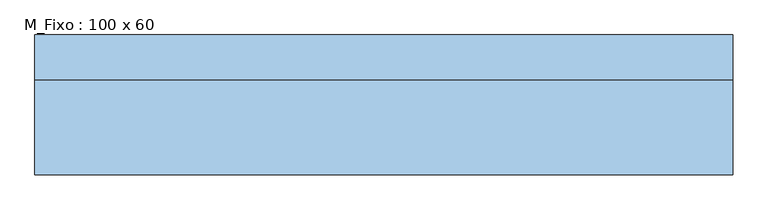
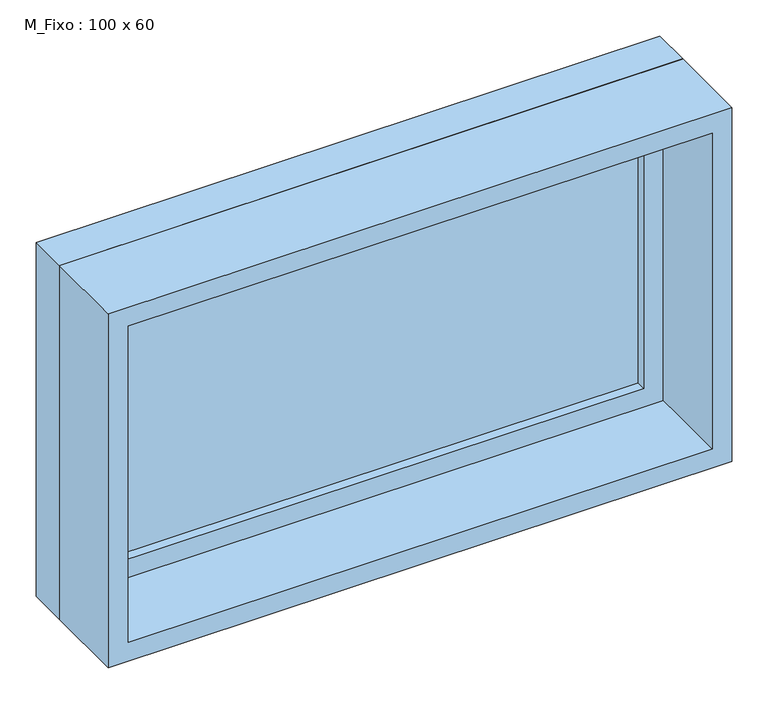
"""IFC4 building model written with IfcOpenShell, lengths in millimetres: window geometry, M_Fixo : 100 x 60."""

from ifc_helpers import new_model, si_unit, frame, origin, place, context, project, spatial, polyline, outline, extrude, source, transform, mapped, element, save


def m_fixo_100_x_60_95d4c234(model_context):
    return source(origin(), model_context, "Body", "SweptSolid", [
        extrude(outline(polyline([(-437.0, 77.0), (437.0, 77.0), (437.0, 65.0), (-437.0, 65.0), (-437.0, 77.0)])), frame((0.0, 0.0, 963.0), z_axis=(0.0, 0.0, 1.0), x_axis=(1.0, 0.0, 0.0)), (0.0, 0.0, 1.0), 474.0),
        extrude(outline(polyline([(1481.0, -481.0), (919.0, -481.0), (919.0, 481.0), (1481.0, 481.0), (1481.0, -481.0)]), holes=[polyline([(1437.0, -437.0), (1437.0, 437.0), (963.0, 437.0), (963.0, -437.0), (1437.0, -437.0)])]), frame((0.0, 49.0, 0.0), z_axis=(0.0, 1.0, 0.0), x_axis=(0.0, 0.0, 1.0)), (0.0, 0.0, 1.0), 44.0),
        extrude(outline(polyline([(1500.0, -500.0), (900.0, -500.0), (900.0, 500.0), (1500.0, 500.0), (1500.0, -500.0)]), holes=[polyline([(1481.0, -481.0), (1481.0, 481.0), (919.0, 481.0), (919.0, -481.0), (1481.0, -481.0)])]), frame((0.0, 49.0, 0.0), z_axis=(0.0, 1.0, 0.0), x_axis=(0.0, 0.0, 1.0)), (0.0, 0.0, 1.0), 64.0),
        extrude(outline(polyline([(1500.0, -500.0), (900.0, -500.0), (900.0, 500.0), (1500.0, 500.0), (1500.0, -500.0)]), holes=[polyline([(1468.0, -468.0), (1468.0, 468.0), (932.0, 468.0), (932.0, -468.0), (1468.0, -468.0)])]), frame((0.0, -87.0, 0.0), z_axis=(0.0, 1.0, 0.0), x_axis=(0.0, 0.0, 1.0)), (0.0, 0.0, 1.0), 136.0),
    ])


if __name__ == "__main__":
    model = new_model("IFC4")
    model_context = context("Model", 3, world=origin())
    ifc_project = project(units=[si_unit("LENGTHUNIT", "METRE", prefix="MILLI")], contexts=[model_context])
    site = spatial("IfcSite", under=ifc_project)
    building = spatial("IfcBuilding", under=site)
    placement = place(None, origin())
    m_fixo_100_x_60_shape = m_fixo_100_x_60_95d4c234(model_context)
    element("IfcWindow", 1, ObjectType="M_Fixo : 100 x 60", at=placement, inside=building, context=model_context, shape_type="MappedRepresentation", body=[
        mapped(m_fixo_100_x_60_shape, transform((0.0, 0.0, 0.0), x_axis=(1.0, 0.0, 0.0), y_axis=(0.0, 1.0, 0.0), z_axis=(0.0, 0.0, 1.0))),
    ])
    save(model, "model.ifc")
